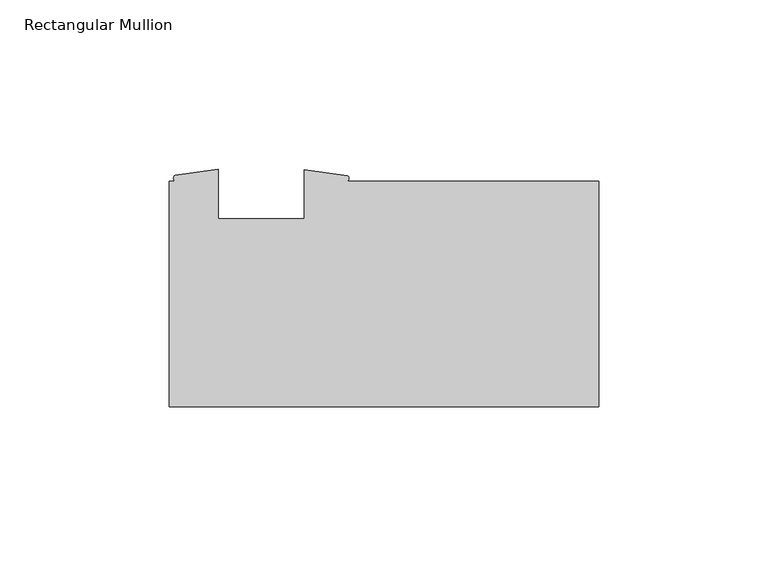
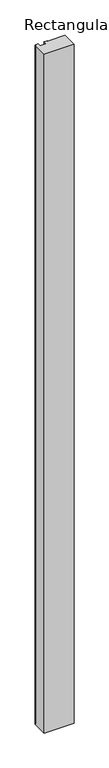
"""IFC4 building model written with IfcOpenShell, lengths in millimetres: member geometry, Rectangular Mullion."""

from ifc_helpers import new_model, si_unit, point, frame, frame_2d, origin, place, context, project, spatial, polyline, circle_curve, trimmed, segment, composite_curve, outline, extrude, source, transform, mapped, element, save


def rectangular_mullion_6d515499(model_context):
    return source(origin(), model_context, "Body", "SweptSolid", [
        extrude(outline(composite_curve([segment(polyline([(-127.0, -33.3375), (-127.0, 33.3375), (-125.2695278, 33.3375)]), True, "CONTINUOUS"), segment(trimmed(circle_curve(frame_2d((-124.7409607, 34.1692022)), 0.98545), [point((-125.2695278, 33.3375))], [point((-125.2695278, 35.0009044))], False, "CARTESIAN"), True, "CONTINUOUS"), segment(polyline([(-125.2695278, 35.0009044), (-112.496475, 36.8570217), (-112.496475, 22.225), (-87.096475, 22.225), (-87.096475, 36.7335), (-74.3251874, 34.9233963)]), True, "CONTINUOUS"), segment(trimmed(circle_curve(frame_2d((-74.7535784, 34.1304481)), 0.9012689), [point((-74.3251874, 34.9233963))], [point((-74.3251874, 33.3375))], False, "CARTESIAN"), True, "CONTINUOUS"), segment(polyline([(-74.3251874, 33.3375), (0.0, 33.3375), (0.0, -33.3375), (-127.0, -33.3375)]), True, "CONTINUOUS")], self_intersect=False)), frame((0.0, 0.0, -3048.0), z_axis=(0.0, 0.0, 1.0), x_axis=(1.0, 0.0, 0.0)), (0.0, 0.0, 1.0), 3048.0),
    ])


if __name__ == "__main__":
    model = new_model("IFC4")
    model_context = context("Model", 3, world=origin())
    ifc_project = project(units=[si_unit("LENGTHUNIT", "METRE", prefix="MILLI")], contexts=[model_context])
    site = spatial("IfcSite", under=ifc_project)
    building = spatial("IfcBuilding", under=site)
    placement = place(None, origin())
    rectangular_mullion_shape = rectangular_mullion_6d515499(model_context)
    element("IfcMember", 1, ObjectType="Rectangular Mullion", at=placement, inside=building, context=model_context, shape_type="MappedRepresentation", body=[
        mapped(rectangular_mullion_shape, transform((0.0, 0.0, 0.0), x_axis=(1.0, 0.0, 0.0), y_axis=(0.0, 1.0, 0.0), z_axis=(0.0, 0.0, 1.0))),
    ])
    save(model, "model.ifc")
